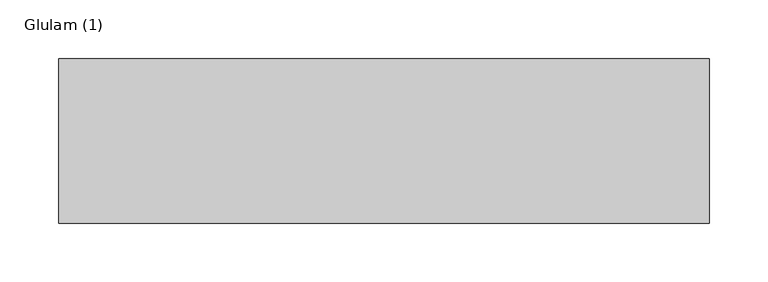
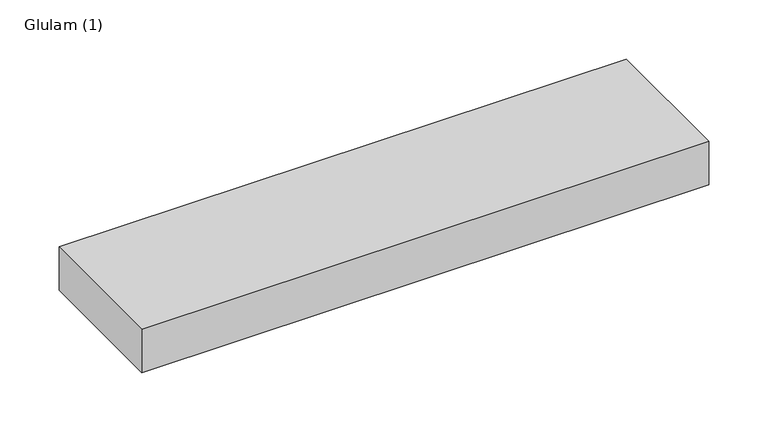
"""IFC4 building model written with IfcOpenShell, lengths in millimetres: beam geometry, Glulam (1)."""

from ifc_helpers import new_model, si_unit, frame, origin, place, context, project, spatial, polyline, outline, extrude, source, transform, mapped, element, save


def glulam_1_ddb19b79(model_context):
    return source(origin(), model_context, "Body", "SweptSolid", [
        extrude(outline(polyline([(277.0, 70.0), (277.0, -70.0), (-277.0, -70.0), (-277.0, 70.0), (277.0, 70.0)])), frame((0.0, 0.0, -22.5), z_axis=(0.0, 0.0, 1.0), x_axis=(1.0, 0.0, 0.0)), (0.0, 0.0, 1.0), 45.0),
    ])


if __name__ == "__main__":
    model = new_model("IFC4")
    model_context = context("Model", 3, world=origin())
    ifc_project = project(units=[si_unit("LENGTHUNIT", "METRE", prefix="MILLI")], contexts=[model_context])
    site = spatial("IfcSite", under=ifc_project)
    building = spatial("IfcBuilding", under=site)
    placement = place(None, origin())
    glulam_1_shape = glulam_1_ddb19b79(model_context)
    element("IfcBeam", 1, ObjectType="Glulam (1)", at=placement, inside=building, context=model_context, shape_type="MappedRepresentation", body=[
        mapped(glulam_1_shape, transform((0.0, 0.0, 0.0), x_axis=(1.0, 0.0, 0.0), y_axis=(0.0, 1.0, 0.0), z_axis=(0.0, 0.0, 1.0))),
    ])
    save(model, "model.ifc")
